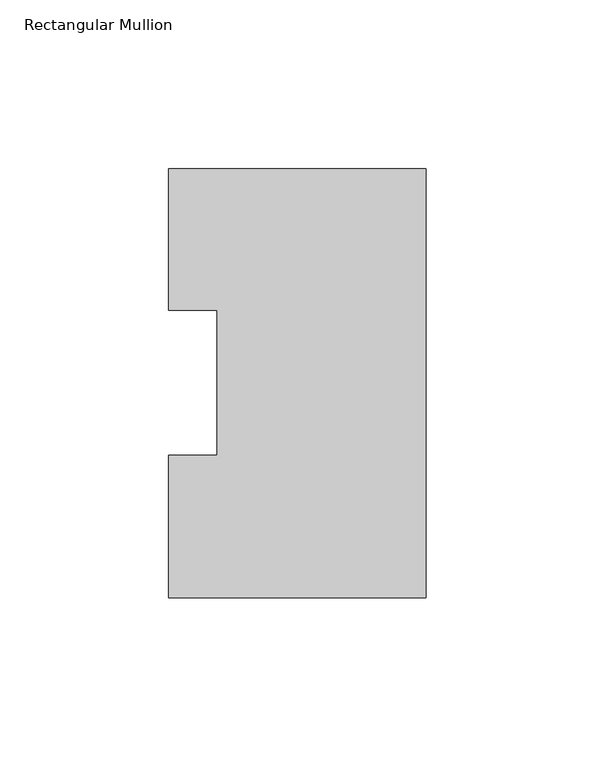
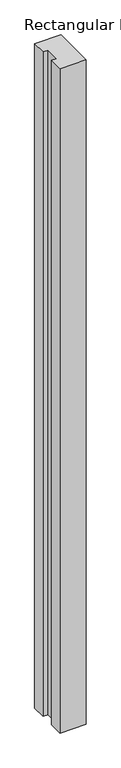
"""IFC4 building model written with IfcOpenShell, lengths in millimetres: member geometry, Rectangular Mullion."""

from ifc_helpers import new_model, si_unit, frame, origin, place, context, project, spatial, polyline, outline, extrude, source, transform, mapped, element, save


def rectangular_mullion_f05e87b5(model_context):
    return source(origin(), model_context, "Body", "SweptSolid", [
        extrude(outline(polyline([(-76.1994574, 126.9888875), (0.0, 126.9888875), (0.0, -0.0111125), (-76.1994574, -0.0111125), (-76.1994574, 42.2798875), (-61.9139549, 42.2798875), (-61.9139549, 85.1296875), (-76.1994574, 85.1296875), (-76.1994574, 126.9888875)])), frame((0.0, 0.0, -2044.4591858), z_axis=(0.0, 0.0, 1.0), x_axis=(1.0, 0.0, 0.0)), (0.0, 0.0, 1.0), 2044.4591858),
    ])


if __name__ == "__main__":
    model = new_model("IFC4")
    model_context = context("Model", 3, world=origin())
    ifc_project = project(units=[si_unit("LENGTHUNIT", "METRE", prefix="MILLI")], contexts=[model_context])
    site = spatial("IfcSite", under=ifc_project)
    building = spatial("IfcBuilding", under=site)
    placement = place(None, origin())
    rectangular_mullion_shape = rectangular_mullion_f05e87b5(model_context)
    element("IfcMember", 1, ObjectType="Rectangular Mullion", at=placement, inside=building, context=model_context, shape_type="MappedRepresentation", body=[
        mapped(rectangular_mullion_shape, transform((0.0, 0.0, 0.0), x_axis=(1.0, 0.0, 0.0), y_axis=(0.0, 1.0, 0.0), z_axis=(0.0, 0.0, 1.0))),
    ])
    save(model, "model.ifc")
